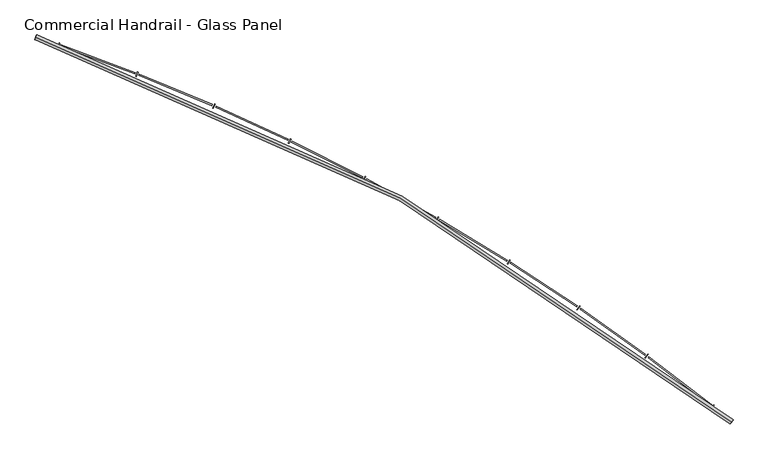
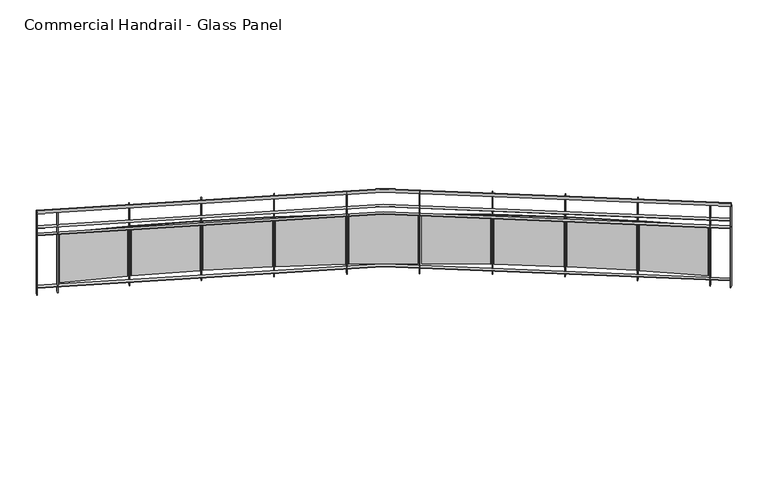
"""IFC4 building model written with IfcOpenShell, lengths in millimetres: railing geometry, Commercial Handrail - Glass Panel."""

from ifc_helpers import new_model, si_unit, point, frame, origin, place, context, project, spatial, polyline, circle_curve, ellipse_curve, trimmed, outline, extrude, source, transform, mapped, element, save
from ifc_brep_helpers import plane_surface, cylinder_surface, revolved_surface, advanced_brep


def commercial_handrail_glass_panel_79ad0cec(model_context):
    return source(origin(), model_context, "Body", "SolidModel", [
        advanced_brep(
        [(150583.3685507, -40178.0609172, 16282.5), (143915.4015975, -36490.7578825, 16282.5), (143915.4015975, -36490.7578825, 16317.5), (150583.3685507, -40178.0609172, 16317.5)],
        [
            (0, 1, circle_curve(frame((137048.5497623, -56781.179875, 16282.5), z_axis=(0.0, 0.0, 1.0), x_axis=(0.3205678761961466, 0.9472255469269671, 0.0)), 21420.8981782)),
            (1, 2, ellipse_curve(frame((143915.4015975, -36490.7578825, 16300.0), z_axis=(0.9472255469269653, -0.32056787619615223, 0.0), x_axis=(-0.32056787619615223, -0.9472255469269653, 0.0)), 25.0, 17.5)),
            (2, 3, circle_curve(frame((137048.5497623, -56781.179875, 16317.5), z_axis=(0.0, 0.0, -1.0), x_axis=(0.3205678761961466, 0.9472255469269671, 0.0)), 21420.8981782)),
            (3, 0, ellipse_curve(frame((150583.3685507, -40178.0609172, 16300.0), z_axis=(-0.7750897660636332, 0.6318511332136888, 0.0), x_axis=(-0.6318511332136887, -0.775089766063633, 0.0)), 25.0, 17.5)),
            (2, 1, ellipse_curve(frame((143915.4015975, -36490.7578825, 16300.0), z_axis=(0.9472255469269653, -0.32056787619615223, 0.0), x_axis=(-0.32056787619615223, -0.9472255469269653, 0.0)), 25.0, 17.5)),
            (0, 3, ellipse_curve(frame((150583.3685507, -40178.0609172, 16300.0), z_axis=(-0.7750897660636332, 0.6318511332136888, 0.0), x_axis=(-0.6318511332136887, -0.775089766063633, 0.0)), 25.0, 17.5)),
        ],
        [
            revolved_surface(trimmed(ellipse_curve(frame((143915.4015975, -36490.7578825, 16300.0), z_axis=(-0.9472255469269671, 0.3205678761961466, 0.0), x_axis=(0.0, 0.0, -1.0)), 17.5, 25.0), [point((143915.4015975, -36490.7578825, 16317.5))], [point((143915.4015975, -36490.7578825, 16282.5))], True, "CARTESIAN"), (137048.5497623, -56781.179875, 16300.0), (0.0, 0.0, -1.0)),
            revolved_surface(trimmed(ellipse_curve(frame((143915.4015975, -36490.7578825, 16300.0), z_axis=(-0.9472255469269671, 0.3205678761961466, 0.0), x_axis=(0.0, 0.0, -1.0)), 17.5, 25.0), [point((143915.4015975, -36490.7578825, 16282.5))], [point((143915.4015975, -36490.7578825, 16317.5))], True, "CARTESIAN"), (137048.5497623, -56781.179875, 16300.0), (0.0, 0.0, -1.0)),
            plane_surface(frame((143915.4015975, -36490.7578825, 16300.0), z_axis=(-0.9472255469269671, 0.3205678761961466, 0.0), x_axis=(0.3205678761961466, 0.9472255469269671, 0.0))),
            plane_surface(frame((150583.3685507, -40178.0609172, 16300.0), z_axis=(0.7750897660636331, -0.6318511332136886, 0.0), x_axis=(0.6318511332136886, 0.7750897660636331, 0.0))),
        ],
        [
            (0, [[1, 2, 3, 4]]),
            (1, [[-3, 5, -1, 6]]),
            (2, [[-2, -5]]),
            (3, [[-6, -4]]),
        ],
    ),
        advanced_brep(
        [(150597.5852012, -40160.6213975, 16100.0), (143922.6143747, -36469.4453077, 16100.0), (143908.1888203, -36512.0704573, 16100.0), (150569.1519002, -40195.500437, 16100.0), (150597.5852012, -40160.6213975, 16094.0), (143922.6143747, -36469.4453077, 16094.0), (150569.1519002, -40195.500437, 16094.0), (143908.1888203, -36512.0704573, 16094.0)],
        [
            (0, 1, circle_curve(frame((137048.5497623, -56781.179875, 16100.0), z_axis=(0.0, 0.0, 1.0), x_axis=(0.3205678761961466, 0.9472255469269671, 0.0)), 21443.3981782)),
            (1, 2),
            (2, 3, circle_curve(frame((137048.5497623, -56781.179875, 16100.0), z_axis=(0.0, 0.0, -1.0), x_axis=(0.3205678761961466, 0.9472255469269671, 0.0)), 21398.3981782)),
            (3, 0),
            (4, 5, circle_curve(frame((137048.5497623, -56781.179875, 16094.0), z_axis=(0.0, 0.0, 1.0), x_axis=(0.3205678761961466, 0.9472255469269671, 0.0)), 21443.3981782)),
            (5, 1),
            (0, 4),
            (6, 7, circle_curve(frame((137048.5497623, -56781.179875, 16094.0), z_axis=(0.0, 0.0, 1.0), x_axis=(0.3205678761961466, 0.9472255469269671, 0.0)), 21398.3981782)),
            (7, 5),
            (4, 6),
            (2, 7),
            (6, 3),
        ],
        [
            plane_surface(frame((137048.5497623, -56781.179875, 16100.0), z_axis=(0.0, 0.0, 1.0), x_axis=(0.3205678761961466, 0.9472255469269671, 0.0))),
            cylinder_surface(frame((137048.5497623, -56781.179875, 16100.0), z_axis=(0.0, 0.0, -1.0), x_axis=(0.3205678761961466, 0.9472255469269671, 0.0)), 21443.3981782),
            plane_surface(frame((137048.5497623, -56781.179875, 16094.0), z_axis=(0.0, 0.0, -1.0), x_axis=(0.3205678761961466, 0.9472255469269671, 0.0))),
            revolved_surface(polyline([(143908.18882028508, -36512.07045729349, 16094.0), (143908.18882028508, -36512.07045729349, 16100.0)]), (137048.5497623, -56781.179875, 16100.0), (0.0, 0.0, -1.0)),
            plane_surface(frame((143915.4015975, -36490.7578825, 16100.0), z_axis=(-0.9472255469269671, 0.3205678761961466, 0.0), x_axis=(0.3205678761961466, 0.9472255469269671, 0.0))),
            plane_surface(frame((150583.3685507, -40178.0609172, 16100.0), z_axis=(0.7750897660636331, -0.6318511332136886, 0.0), x_axis=(0.6318511332136886, 0.7750897660636331, 0.0))),
        ],
        [
            (0, [[1, 2, 3, 4]]),
            (1, [[5, 6, -1, 7]]),
            (2, [[8, 9, -5, 10]]),
            (3, [[-3, 11, -8, 12]]),
            (4, [[-2, -6, -9, -11]]),
            (5, [[-12, -10, -7, -4]]),
        ],
    ),
        advanced_brep(
        [(150597.5852012, -40160.6213975, 16000.0), (143922.6143747, -36469.4453077, 16000.0), (143908.1888203, -36512.0704573, 16000.0), (150569.1519002, -40195.500437, 16000.0), (150597.5852012, -40160.6213975, 15994.0), (143922.6143747, -36469.4453077, 15994.0), (150569.1519002, -40195.500437, 15994.0), (143908.1888203, -36512.0704573, 15994.0)],
        [
            (0, 1, circle_curve(frame((137048.5497623, -56781.179875, 16000.0), z_axis=(0.0, 0.0, 1.0), x_axis=(0.3205678761961466, 0.9472255469269671, 0.0)), 21443.3981782)),
            (1, 2),
            (2, 3, circle_curve(frame((137048.5497623, -56781.179875, 16000.0), z_axis=(0.0, 0.0, -1.0), x_axis=(0.3205678761961466, 0.9472255469269671, 0.0)), 21398.3981782)),
            (3, 0),
            (4, 5, circle_curve(frame((137048.5497623, -56781.179875, 15994.0), z_axis=(0.0, 0.0, 1.0), x_axis=(0.3205678761961466, 0.9472255469269671, 0.0)), 21443.3981782)),
            (5, 1),
            (0, 4),
            (6, 7, circle_curve(frame((137048.5497623, -56781.179875, 15994.0), z_axis=(0.0, 0.0, 1.0), x_axis=(0.3205678761961466, 0.9472255469269671, 0.0)), 21398.3981782)),
            (7, 5),
            (4, 6),
            (2, 7),
            (6, 3),
        ],
        [
            plane_surface(frame((137048.5497623, -56781.179875, 16000.0), z_axis=(0.0, 0.0, 1.0), x_axis=(0.3205678761961466, 0.9472255469269671, 0.0))),
            cylinder_surface(frame((137048.5497623, -56781.179875, 16000.0), z_axis=(0.0, 0.0, -1.0), x_axis=(0.3205678761961466, 0.9472255469269671, 0.0)), 21443.3981782),
            plane_surface(frame((137048.5497623, -56781.179875, 15994.0), z_axis=(0.0, 0.0, -1.0), x_axis=(0.3205678761961466, 0.9472255469269671, 0.0))),
            revolved_surface(polyline([(143908.18882028508, -36512.07045729349, 15994.0), (143908.18882028508, -36512.07045729349, 16000.0)]), (137048.5497623, -56781.179875, 16000.0), (0.0, 0.0, -1.0)),
            plane_surface(frame((143915.4015975, -36490.7578825, 16000.0), z_axis=(-0.9472255469269671, 0.3205678761961466, 0.0), x_axis=(0.3205678761961466, 0.9472255469269671, 0.0))),
            plane_surface(frame((150583.3685507, -40178.0609172, 16000.0), z_axis=(0.7750897660636331, -0.6318511332136886, 0.0), x_axis=(0.6318511332136886, 0.7750897660636331, 0.0))),
        ],
        [
            (0, [[1, 2, 3, 4]]),
            (1, [[5, 6, -1, 7]]),
            (2, [[8, 9, -5, 10]]),
            (3, [[-3, 11, -8, 12]]),
            (4, [[-2, -6, -9, -11]]),
            (5, [[-12, -10, -7, -4]]),
        ],
    ),
        advanced_brep(
        [(150597.5852012, -40160.6213975, 15300.0), (143922.6143747, -36469.4453077, 15300.0), (143908.1888203, -36512.0704573, 15300.0), (150569.1519002, -40195.500437, 15300.0), (150597.5852012, -40160.6213975, 15294.0), (143922.6143747, -36469.4453077, 15294.0), (150569.1519002, -40195.500437, 15294.0), (143908.1888203, -36512.0704573, 15294.0)],
        [
            (0, 1, circle_curve(frame((137048.5497623, -56781.179875, 15300.0), z_axis=(0.0, 0.0, 1.0), x_axis=(0.3205678761961466, 0.9472255469269671, 0.0)), 21443.3981782)),
            (1, 2),
            (2, 3, circle_curve(frame((137048.5497623, -56781.179875, 15300.0), z_axis=(0.0, 0.0, -1.0), x_axis=(0.3205678761961466, 0.9472255469269671, 0.0)), 21398.3981782)),
            (3, 0),
            (4, 5, circle_curve(frame((137048.5497623, -56781.179875, 15294.0), z_axis=(0.0, 0.0, 1.0), x_axis=(0.3205678761961466, 0.9472255469269671, 0.0)), 21443.3981782)),
            (5, 1),
            (0, 4),
            (6, 7, circle_curve(frame((137048.5497623, -56781.179875, 15294.0), z_axis=(0.0, 0.0, 1.0), x_axis=(0.3205678761961466, 0.9472255469269671, 0.0)), 21398.3981782)),
            (7, 5),
            (4, 6),
            (2, 7),
            (6, 3),
        ],
        [
            plane_surface(frame((137048.5497623, -56781.179875, 15300.0), z_axis=(0.0, 0.0, 1.0), x_axis=(0.3205678761961466, 0.9472255469269671, 0.0))),
            cylinder_surface(frame((137048.5497623, -56781.179875, 15300.0), z_axis=(0.0, 0.0, -1.0), x_axis=(0.3205678761961466, 0.9472255469269671, 0.0)), 21443.3981782),
            plane_surface(frame((137048.5497623, -56781.179875, 15294.0), z_axis=(0.0, 0.0, -1.0), x_axis=(0.3205678761961466, 0.9472255469269671, 0.0))),
            revolved_surface(polyline([(143908.18882028508, -36512.07045729349, 15294.0), (143908.18882028508, -36512.07045729349, 15300.0)]), (137048.5497623, -56781.179875, 15300.0), (0.0, 0.0, -1.0)),
            plane_surface(frame((143915.4015975, -36490.7578825, 15300.0), z_axis=(-0.9472255469269671, 0.3205678761961466, 0.0), x_axis=(0.3205678761961466, 0.9472255469269671, 0.0))),
            plane_surface(frame((150583.3685507, -40178.0609172, 15300.0), z_axis=(0.7750897660636331, -0.6318511332136886, 0.0), x_axis=(0.6318511332136886, 0.7750897660636331, 0.0))),
        ],
        [
            (0, [[1, 2, 3, 4]]),
            (1, [[5, 6, -1, 7]]),
            (2, [[8, 9, -5, 10]]),
            (3, [[-3, 11, -8, 12]]),
            (4, [[-2, -6, -9, -11]]),
            (5, [[-12, -10, -7, -4]]),
        ],
    ),
        extrude(outline(polyline([(150387.8172497, -40049.3121821), (150415.8741434, -40014.1296479), (150420.565148, -40017.8705671), (150392.5082542, -40053.0531013), (150387.8172497, -40049.3121821)])), frame((0.0, 0.0, 15200.0), z_axis=(0.0, 0.0, 1.0), x_axis=(1.0, 0.0, 0.0)), (0.0, 0.0, 1.0), 1082.1192282),
        extrude(outline(polyline([(149791.3308783, -39551.0349259), (150394.2690459, -40013.7071274), (150386.9636954, -40023.2272037), (149784.0255278, -39560.5550022), (149791.3308783, -39551.0349259)])), frame((0.0, 0.0, 15320.0), z_axis=(0.0, 0.0, 1.0), x_axis=(1.0, 0.0, 0.0)), (0.0, 0.0, 1.0), 660.0),
        extrude(outline(polyline([(149753.7807796, -39562.917524), (149780.5044628, -39526.7119338), (149785.3318748, -39530.2750916), (149758.6081917, -39566.4806817), (149753.7807796, -39562.917524)])), frame((0.0, 0.0, 15200.0), z_axis=(0.0, 0.0, 1.0), x_axis=(1.0, 0.0, 0.0)), (0.0, 0.0, 1.0), 1082.1192282),
        extrude(outline(polyline([(149139.1056536, -39087.2593434), (149758.8986545, -39527.0963996), (149751.9538589, -39536.8826049), (149132.160858, -39097.0455487), (149139.1056536, -39087.2593434)])), frame((0.0, 0.0, 15320.0), z_axis=(0.0, 0.0, 1.0), x_axis=(1.0, 0.0, 0.0)), (0.0, 0.0, 1.0), 660.0),
        extrude(outline(polyline([(149102.0254116, -39100.5357023), (149127.3786149, -39063.3575489), (149132.335702, -39066.737976), (149106.9824987, -39103.9161294), (149102.0254116, -39100.5357023)])), frame((0.0, 0.0, 15200.0), z_axis=(0.0, 0.0, 1.0), x_axis=(1.0, 0.0, 0.0)), (0.0, 0.0, 1.0), 1082.1192282),
        extrude(outline(polyline([(148470.0187657, -38648.1599571), (149105.8022278, -39064.5484649), (149099.2276724, -39074.5871511), (148463.4442103, -38658.1986434), (148470.0187657, -38648.1599571)])), frame((0.0, 0.0, 15320.0), z_axis=(0.0, 0.0, 1.0), x_axis=(1.0, 0.0, 0.0)), (0.0, 0.0, 1.0), 660.0),
        extrude(outline(polyline([(148433.4600931, -38662.8115613), (148457.4074585, -38624.712694), (148462.4873075, -38627.9056761), (148438.5399421, -38666.0045433), (148433.4600931, -38662.8115613)])), frame((0.0, 0.0, 15200.0), z_axis=(0.0, 0.0, 1.0), x_axis=(1.0, 0.0, 0.0)), (0.0, 0.0, 1.0), 1082.1192282),
        extrude(outline(polyline([(147785.0033328, -38234.3491413), (148435.8905832, -38626.7083992), (148429.695437, -38636.9855663), (147778.8081866, -38244.6263084), (147785.0033328, -38234.3491413)])), frame((0.0, 0.0, 15320.0), z_axis=(0.0, 0.0, 1.0), x_axis=(1.0, 0.0, 0.0)), (0.0, 0.0, 1.0), 660.0),
        extrude(outline(polyline([(147749.0172148, -38250.3555574), (147771.5253451, -38211.3891094), (147776.7208715, -38214.3901934), (147754.2127412, -38253.3566414), (147749.0172148, -38250.3555574)])), frame((0.0, 0.0, 15200.0), z_axis=(0.0, 0.0, 1.0), x_axis=(1.0, 0.0, 0.0)), (0.0, 0.0, 1.0), 1082.1192282),
        extrude(outline(polyline([(147085.0146873, -37846.4040024), (147750.0979893, -38214.1868206), (147744.2908922, -38224.6881359), (147079.2075902, -37856.9053177), (147085.0146873, -37846.4040024)])), frame((0.0, 0.0, 15320.0), z_axis=(0.0, 0.0, 1.0), x_axis=(1.0, 0.0, 0.0)), (0.0, 0.0, 1.0), 660.0),
        extrude(outline(polyline([(147049.6513106, -37863.7429077), (147070.6888157, -37823.9632221), (147075.9927737, -37826.7682228), (147054.9552687, -37866.5479084), (147049.6513106, -37863.7429077)])), frame((0.0, 0.0, 15200.0), z_axis=(0.0, 0.0, 1.0), x_axis=(1.0, 0.0, 0.0)), (0.0, 0.0, 1.0), 1082.1192282),
        extrude(outline(polyline([(146371.0290434, -37484.8655743), (147049.3808623, -37827.5590376), (147043.9699129, -37838.2698558), (146365.618094, -37495.5763925), (146371.0290434, -37484.8655743)])), frame((0.0, 0.0, 15320.0), z_axis=(0.0, 0.0, 1.0), x_axis=(1.0, 0.0, 0.0)), (0.0, 0.0, 1.0), 660.0),
        extrude(outline(polyline([(146336.3377264, -37503.5127878), (146355.8752669, -37462.975342), (146361.2802597, -37465.5803474), (146341.7427192, -37506.1177932), (146336.3377264, -37503.5127878)])), frame((0.0, 0.0, 15200.0), z_axis=(0.0, 0.0, 1.0), x_axis=(1.0, 0.0, 0.0)), (0.0, 0.0, 1.0), 1082.1192282),
        extrude(outline(polyline([(145644.0421358, -37150.2380638), (146334.7164324, -37467.364247), (146329.7091769, -37478.2696306), (145639.0348803, -37161.1434474), (145644.0421358, -37150.2380638)])), frame((0.0, 0.0, 15320.0), z_axis=(0.0, 0.0, 1.0), x_axis=(1.0, 0.0, 0.0)), (0.0, 0.0, 1.0), 660.0),
        extrude(outline(polyline([(145610.0712594, -37170.1675797), (145628.0815881, -37128.9289078), (145633.5800777, -37131.3302849), (145615.569749, -37172.5689569), (145610.0712594, -37170.1675797)])), frame((0.0, 0.0, 15200.0), z_axis=(0.0, 0.0, 1.0), x_axis=(1.0, 0.0, 0.0)), (0.0, 0.0, 1.0), 1082.1192282),
        extrude(outline(polyline([(144905.0678309, -36842.9881472), (145607.1013808, -37134.1047815), (145602.5048024, -37145.1895217), (144900.4712525, -36854.0728874), (144905.0678309, -36842.9881472)])), frame((0.0, 0.0, 15320.0), z_axis=(0.0, 0.0, 1.0), x_axis=(1.0, 0.0, 0.0)), (0.0, 0.0, 1.0), 660.0),
        extrude(outline(polyline([(144871.8647714, -36864.1721715), (144888.3227707, -36822.2897855), (144893.9070889, -36824.4841854), (144877.4490896, -36866.3665714), (144871.8647714, -36864.1721715)])), frame((0.0, 0.0, 15200.0), z_axis=(0.0, 0.0, 1.0), x_axis=(1.0, 0.0, 0.0)), (0.0, 0.0, 1.0), 1082.1192282),
        extrude(outline(polyline([(144155.1367129, -36563.5443196), (144867.5504501, -36828.2454095), (144863.3709592, -36839.4940475), (144150.957222, -36574.7929575), (144155.1367129, -36563.5443196)])), frame((0.0, 0.0, 15320.0), z_axis=(0.0, 0.0, 1.0), x_axis=(1.0, 0.0, 0.0)), (0.0, 0.0, 1.0), 660.0),
        extrude(outline(polyline([(144122.7477757, -36585.9533088), (144137.6304932, -36543.4856185), (144143.2928519, -36545.4699808), (144128.4101344, -36587.9376712), (144122.7477757, -36585.9533088)])), frame((0.0, 0.0, 15200.0), z_axis=(0.0, 0.0, 1.0), x_axis=(1.0, 0.0, 0.0)), (0.0, 0.0, 1.0), 1082.1192282),
        extrude(outline(polyline([(150566.8266309, -40193.6048836), (150595.2599319, -40158.7258441), (150599.9104705, -40162.5169509), (150571.4771695, -40197.3959904), (150566.8266309, -40193.6048836)])), frame((0.0, 0.0, 15200.0), z_axis=(0.0, 0.0, 1.0), x_axis=(1.0, 0.0, 0.0)), (0.0, 0.0, 1.0), 1082.1192282),
        extrude(outline(polyline([(143905.3471437, -36511.1087537), (143919.7726981, -36468.4836041), (143925.4560514, -36470.4070113), (143911.030497, -36513.032161), (143905.3471437, -36511.1087537)])), frame((0.0, 0.0, 15200.0), z_axis=(0.0, 0.0, 1.0), x_axis=(1.0, 0.0, 0.0)), (0.0, 0.0, 1.0), 1082.1192282),
    ])


if __name__ == "__main__":
    model = new_model("IFC4")
    model_context = context("Model", 3, world=origin())
    ifc_project = project(units=[si_unit("LENGTHUNIT", "METRE", prefix="MILLI")], contexts=[model_context])
    site = spatial("IfcSite", under=ifc_project)
    building = spatial("IfcBuilding", under=site)
    placement = place(None, origin())
    commercial_handrail_glass_panel_shape = commercial_handrail_glass_panel_79ad0cec(model_context)
    element("IfcRailing", 1, ObjectType="Commercial Handrail - Glass Panel", at=placement, inside=building, context=model_context, shape_type="MappedRepresentation", body=[
        mapped(commercial_handrail_glass_panel_shape, transform((0.0, 0.0, 0.0), x_axis=(1.0, 0.0, 0.0), y_axis=(0.0, 1.0, 0.0), z_axis=(0.0, 0.0, 1.0))),
    ])
    save(model, "model.ifc")
